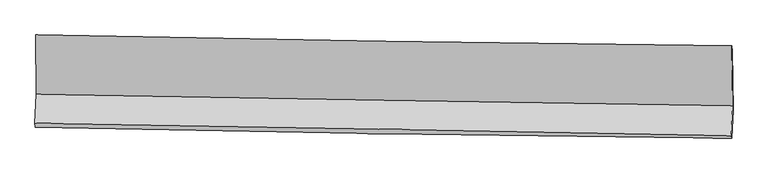
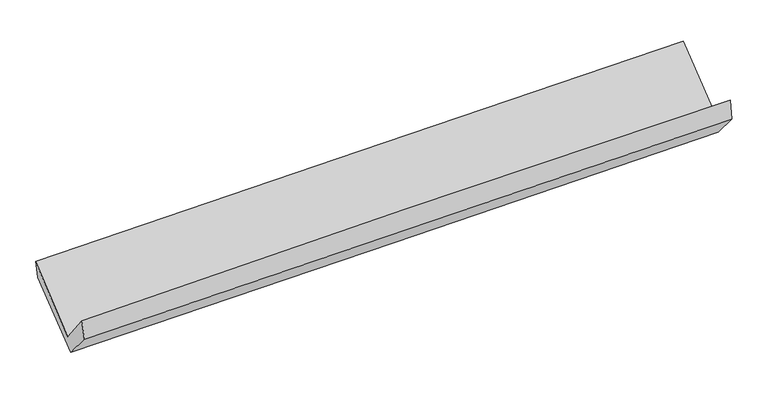
"""IFC4 building model written with IfcOpenShell, lengths in millimetres: proxy geometry."""

from ifc_helpers import new_model, si_unit, frame, origin, place, context, project, spatial, source, transform, mapped, element, save
from ifc_brep_helpers import plane_surface, spline_curve, spline_surface, advanced_brep


def generic_models_5e36a2aa(model_context):
    return source(origin(), model_context, "Body", "AdvancedBrep", [
        advanced_brep(
        [(-3022.1565855, -1156.661368, 2155.6427), (-3015.6957496, -1668.7148494, 1713.898429), (3009.6266401, -1770.8158534, 1865.4123469), (3003.6484949, -1251.1727342, 2294.2160394), (-3028.2984765, -1920.9281203, 2028.1141899), (2996.9542082, -2029.115571, 2179.3129952), (-3023.9005515, -1953.4966904, 1865.6957177), (3001.9181303, -2049.1517561, 2003.3103334), (-3012.2770719, -1708.1481024, 1581.4667882), (3013.309546, -1808.7015762, 1724.7560619), (-3018.1225725, -1182.6054754, 2008.3833492), (3007.8053999, -1292.0803312, 2136.2683154)],
        [
            (0, 1),
            (1, 2, spline_curve(3, [(-3015.6957496, -1668.7148494, 1713.898429), (-2011.664650662, -1687.09968989, 1744.982985234), (-1007.539693541, -1704.800514901, 1773.151407588), (1000.901102202, -1738.834187356, 1823.656065237), (2005.216942044, -1755.167030363, 1845.992282004), (3009.6266401, -1770.8158534, 1865.4123469)], [4, 2, 4], [0.0, 9.888673683139238, 19.777378546826526])),
            (2, 3),
            (3, 0, spline_curve(3, [(3003.6484949, -1251.1727342, 2294.2160394), (1999.145933335, -1241.388899051, 2275.357984871), (994.743437471, -1228.621017007, 2254.381157784), (-1013.858255157, -1197.117209461, 2208.190031439), (-2018.057453147, -1178.38130279, 2182.97574527), (-3022.1565855, -1156.661368, 2155.6427)], [4, 2, 4], [0.0, 9.888704863687288, 19.777378546826526])),
            (1, 4),
            (4, 5, spline_curve(3, [(-3028.2984765, -1920.9281203, 2028.1141899), (-2024.408722817, -1938.090112586, 2064.495803121), (-1020.360247604, -1955.686715059, 2095.286499277), (988.057313228, -1991.749195596, 2145.686136382), (1992.42639939, -2010.215077041, 2165.295042173), (2996.9542082, -2029.115571, 2179.3129952)], [4, 2, 4], [0.0, 9.88871338786555, 19.777457956404348])),
            (5, 2),
            (4, 6),
            (6, 7, spline_curve(3, [(-3023.9005515, -1953.4966904, 1865.6957177), (-2019.768928493, -1975.238756685, 1891.924467063), (-1015.55235164, -1994.081037485, 1916.50671084), (993.053874762, -2025.966077384, 1962.37826008), (1997.44352571, -2039.008818902, 1983.667554454), (3001.9181303, -2049.1517561, 2003.3103334)], [4, 2, 4], [0.0, 9.888729595542147, 19.777490371808646])),
            (7, 5),
            (6, 8),
            (8, 9, spline_curve(3, [(-3012.2770719, -1708.1481024, 1581.4667882), (-2008.106771614, -1729.073771022, 1606.749765896), (-1003.890195166, -1747.916051711, 1631.332009657), (1004.638677365, -1781.433889532, 1679.095105246), (2008.950973464, -1796.109433325, 1702.275952711), (3013.309546, -1808.7015762, 1724.7560619)], [4, 2, 4], [0.0, 9.88870546610293, 19.77744211285413])),
            (9, 7),
            (8, 10),
            (10, 11, spline_curve(3, [(-3018.1225725, -1182.6054754, 2008.3833492), (-2013.781595114, -1207.991832732, 2025.964176997), (-1009.451233757, -1229.807907336, 2045.411651559), (999.191423936, -1266.299548396, 2088.039962048), (2003.50371999, -1280.975092403, 2111.2208094), (3007.8053999, -1292.0803312, 2136.2683154)], [4, 2, 4], [0.0, 9.888807598795315, 19.777646378560938])),
            (11, 9),
            (10, 0),
            (3, 11),
        ],
        [
            spline_surface(3, 3, [[(-3022.1565855, -1156.661368, 2155.6427), (-2018.057453012, -1178.381302691, 2182.975745281), (-1013.858255258, -1197.117209464, 2208.190031371), (994.743437572, -1228.621017004, 2254.381157853), (1999.145933297, -1241.388898988, 2275.357984921), (3003.6484949, -1251.1727342, 2294.2160394)], [(-3020.002973541, -1327.345861794, 2008.394609655), (-2015.926518862, -1347.954098468, 2036.978158533), (-1011.752068062, -1366.344977963, 2063.17715679), (996.795992483, -1398.692073761, 2110.806127012), (2001.169602866, -1412.648276114, 2132.236083976), (3005.641209968, -1424.387107272, 2151.281475245)], [(-3017.849361559, -1498.030355606, 1861.146519345), (-2013.795584688, -1517.526894261, 1890.980571821), (-1009.645880854, -1535.572746473, 1918.164282143), (998.848547407, -1568.763130528, 1967.231096104), (2003.193272432, -1583.907653226, 1989.114182997), (3007.633925032, -1597.601480328, 2008.346911055)], [(-3015.6957496, -1668.7148494, 1713.898429), (-2011.664650538, -1687.099690037, 1744.982985073), (-1007.539693659, -1704.800514972, 1773.151407562), (1000.901102319, -1738.834187284, 1823.656065263), (2005.216942001, -1755.167030352, 1845.992282052), (3009.6266401, -1770.8158534, 1865.4123469)]], [4, 4], [4, 2, 4], [0.0, 2.192165606191579], [0.0, 9.888673683139238, 19.777378546826526]),
            spline_surface(3, 3, [[(-3015.6957496, -1668.7148494, 1713.898429), (-2011.664650538, -1687.099690037, 1744.982985073), (-1007.539693659, -1704.800514972, 1773.151407562), (1000.901102319, -1738.834187284, 1823.656065263), (2005.216942001, -1755.167030352, 1845.992282052), (3009.6266401, -1770.8158534, 1865.4123469)], [(-3019.896658566, -1752.785939711, 1818.637015963), (-2015.912674628, -1770.763164273, 1851.487257805), (-1011.813211592, -1788.429248282, 1880.529771471), (996.61983925, -1823.139190101, 1930.99942229), (2000.953427775, -1840.183045954, 1952.426535398), (3005.402496136, -1856.915759287, 1970.04589635)], [(-3024.097567534, -1836.857029989, 1923.375602937), (-2020.160698721, -1854.426638477, 1957.991530546), (-1016.08672954, -1872.057981601, 1987.908135392), (992.338576166, -1907.444192928, 2038.34277933), (1996.689913542, -1925.199061496, 2058.860788693), (3001.178352164, -1943.015665113, 2074.67944575)], [(-3028.2984765, -1920.9281203, 2028.1141899), (-2024.408722811, -1938.090112714, 2064.495803278), (-1020.360247473, -1955.686714911, 2095.286499302), (988.057313097, -1991.749195744, 2145.686136357), (1992.426399317, -2010.215077098, 2165.295042039), (2996.9542082, -2029.115571, 2179.3129952)]], [4, 4], [4, 2, 4], [0.0, 1.3421633706419487], [0.0, 9.88871338786555, 19.777457956404348]),
            spline_surface(3, 3, [[(-3028.2984765, -1920.9281203, 2028.1141899), (-2024.408722811, -1938.090112714, 2064.495803278), (-1020.360247473, -1955.686714911, 2095.286499302), (988.057313097, -1991.749195744, 2145.686136357), (1992.426399317, -2010.215077098, 2165.295042039), (2996.9542082, -2029.115571, 2179.3129952)], [(-3026.832501502, -1931.784310334, 1973.974699188), (-2022.862124663, -1950.472994037, 2006.972024572), (-1018.757615595, -1968.484822373, 2035.693236518), (989.722833695, -2003.154822988, 2084.583510874), (1994.098774748, -2019.812990975, 2104.752546225), (2998.608848891, -2035.79429935, 2120.645441264)], [(-3025.366526498, -1942.640500366, 1919.835208412), (-2021.315526508, -1962.855875358, 1949.448245801), (-1017.154983682, -1981.282929884, 1976.099973765), (991.388354327, -2014.56045028, 2023.480885422), (1995.771150208, -2029.410904901, 2044.210050419), (3000.263489609, -2042.47302775, 2061.977887336)], [(-3023.9005515, -1953.4966904, 1865.6957177), (-2019.76892836, -1975.238756681, 1891.924467095), (-1015.552351804, -1994.081037346, 1916.506710982), (993.053874925, -2025.966077523, 1962.378259938), (1997.44352564, -2039.008818778, 1983.667554605), (3001.9181303, -2049.1517561, 2003.3103334)]], [4, 4], [4, 2, 4], [0.0, 0.6060147349180481], [0.0, 9.888729595542147, 19.777490371808646]),
            spline_surface(3, 3, [[(-3023.9005515, -1953.4966904, 1865.6957177), (-2019.76892836, -1975.238756681, 1891.924467095), (-1015.552351804, -1994.081037346, 1916.506710982), (993.053874925, -2025.966077523, 1962.378259938), (1997.44352564, -2039.008818778, 1983.667554605), (3001.9181303, -2049.1517561, 2003.3103334)], [(-3020.026058303, -1871.713827712, 1770.952741195), (-2015.881542786, -1893.183761491, 1796.866233304), (-1011.66496623, -1912.026042156, 1821.448477191), (996.915475703, -1944.455348197, 1867.950541713), (2001.279341541, -1958.042357031, 1889.870353934), (3005.715268866, -1969.001696152, 1910.458909557)], [(-3016.151565097, -1789.930965088, 1676.209764705), (-2011.994157202, -1811.128766363, 1701.807999528), (-1007.777580646, -1829.971046928, 1726.390243415), (1000.777076492, -1862.944618833, 1773.522823503), (2005.115157444, -1877.075895227, 1796.073153292), (3009.512407434, -1888.851636148, 1817.607485743)], [(-3012.2770719, -1708.1481024, 1581.4667882), (-2008.106771628, -1729.073771172, 1606.749765737), (-1003.890195072, -1747.916051737, 1631.332009624), (1004.638677271, -1781.433889506, 1679.095105278), (2008.950973346, -1796.109433481, 1702.275952621), (3013.309546, -1808.7015762, 1724.7560619)]], [4, 4], [4, 2, 4], [0.0, 1.232465814034514], [0.0, 9.88870546610293, 19.77744211285413]),
            spline_surface(3, 3, [[(-3012.2770719, -1708.1481024, 1581.4667882), (-2008.106771628, -1729.073771172, 1606.749765737), (-1003.890195072, -1747.916051737, 1631.332009624), (1004.638677271, -1781.433889506, 1679.095105278), (2008.950973346, -1796.109433481, 1702.275952621), (3013.309546, -1808.7015762, 1724.7560619)], [(-3014.225572091, -1532.967226758, 1723.772308541), (-2009.998379434, -1555.379791726, 1746.487902832), (-1005.743874601, -1575.213336942, 1769.358556989), (1002.822926138, -1609.722442488, 1815.410057516), (2007.135222214, -1624.397986462, 1838.590904858), (3011.47483064, -1636.494494512, 1861.92681305)], [(-3016.174072309, -1357.786351042, 1866.077828859), (-2011.889987266, -1381.685812206, 1886.226039903), (-1007.597554148, -1402.510622111, 1907.385104302), (1001.007174988, -1438.010995434, 1951.725009702), (2005.319471061, -1452.686539509, 1974.905857144), (3009.64011526, -1464.287412888, 1999.09756425)], [(-3018.1225725, -1182.6054754, 2008.3833492), (-2013.781595072, -1207.991832759, 2025.964176998), (-1009.451233677, -1229.807907316, 2045.411651667), (999.191423856, -1266.299548416, 2088.03996194), (2003.503719929, -1280.97509249, 2111.220809382), (3007.8053999, -1292.0803312, 2136.2683154)]], [4, 4], [4, 2, 4], [0.0, 2.167019273500936], [0.0, 9.888807598795315, 19.777646378560938]),
            spline_surface(3, 3, [[(-3018.1225725, -1182.6054754, 2008.3833492), (-2013.781595072, -1207.991832759, 2025.964176998), (-1009.451233677, -1229.807907316, 2045.411651667), (999.191423856, -1266.299548416, 2088.03996194), (2003.503719929, -1280.97509249, 2111.220809382), (3007.8053999, -1292.0803312, 2136.2683154)], [(-3019.467243495, -1173.95743959, 2057.469799457), (-2015.206881047, -1198.12165606, 2078.301366416), (-1010.920240863, -1218.911008031, 2099.671111549), (997.708761769, -1253.740037944, 2143.487027225), (2002.051124384, -1267.77969465, 2165.933201229), (3006.419764899, -1278.444465528, 2188.917556734)], [(-3020.811914505, -1165.30940381, 2106.556249743), (-2016.632167037, -1188.25147939, 2130.638555862), (-1012.389248072, -1208.014108749, 2153.930571489), (996.226099658, -1241.180527475, 2198.934092568), (2000.598528842, -1254.584296828, 2220.645593074), (3005.034129901, -1264.808599872, 2241.566798066)], [(-3022.1565855, -1156.661368, 2155.6427), (-2018.057453012, -1178.381302691, 2182.975745281), (-1013.858255258, -1197.117209464, 2208.190031371), (994.743437572, -1228.621017004, 2254.381157853), (1999.145933297, -1241.388898988, 2275.357984921), (3003.6484949, -1251.1727342, 2294.2160394)]], [4, 4], [4, 2, 4], [0.0, 0.552288114320087], [0.0, 9.888829380580063, 19.777689942199114]),
            plane_surface(frame((3005.5437365, -1700.1729704, 2033.8793487), z_axis=(0.9994755311322617, -0.012982421866349344, 0.029666806204367135), x_axis=(-0.008333207695065894, 0.7821580447444786, 0.6230243580238297))),
            plane_surface(frame((-3020.0751679, -1598.4257677, 1892.2001957), z_axis=(-0.9994755311328789, 0.012982421851671241, -0.02966680618999678), x_axis=(0.026968625581200476, -0.17344438942036886, -0.9844743455331157))),
        ],
        [
            (0, [[1, 2, 3, 4]]),
            (1, [[5, 6, 7, -2]]),
            (2, [[8, 9, 10, -6]]),
            (3, [[11, 12, 13, -9]]),
            (4, [[14, 15, 16, -12]]),
            (5, [[17, -4, 18, -15]]),
            (6, [[-16, -18, -3, -7, -10, -13]]),
            (7, [[-17, -14, -11, -8, -5, -1]]),
        ],
    ),
    ])


if __name__ == "__main__":
    model = new_model("IFC4")
    model_context = context("Model", 3, world=origin())
    ifc_project = project(units=[si_unit("LENGTHUNIT", "METRE", prefix="MILLI")], contexts=[model_context])
    site = spatial("IfcSite", under=ifc_project)
    building = spatial("IfcBuilding", under=site)
    placement = place(None, origin())
    generic_models_shape = generic_models_5e36a2aa(model_context)
    element("IfcBuildingElementProxy", 1, Name="Generic Models", at=placement, inside=building, context=model_context, shape_type="MappedRepresentation", body=[
        mapped(generic_models_shape, transform((0.0, 0.0, 0.0), x_axis=(1.0, 0.0, 0.0), y_axis=(0.0, 1.0, 0.0), z_axis=(0.0, 0.0, 1.0))),
    ])
    save(model, "model.ifc")
